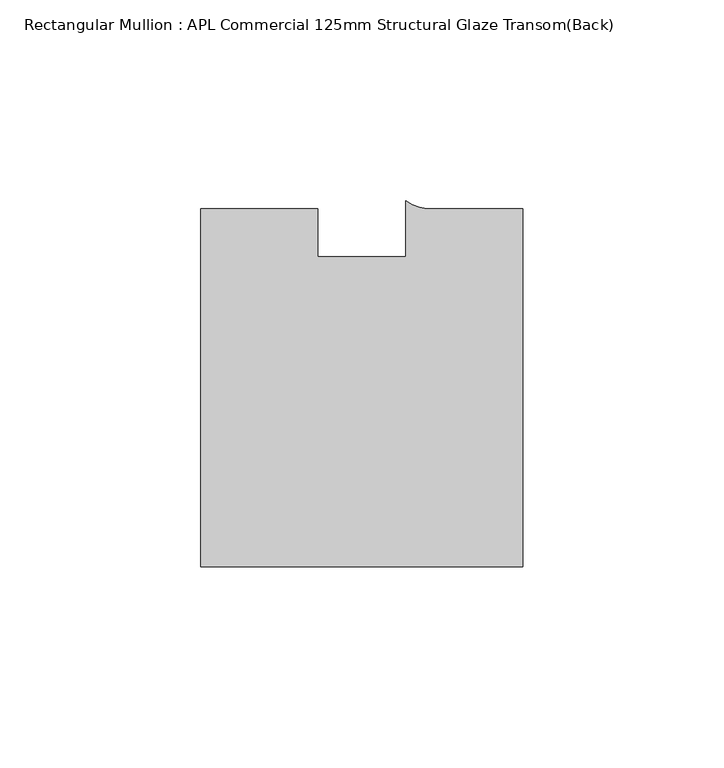
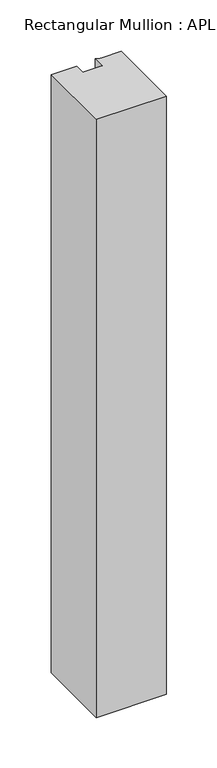
"""IFC4 building model written with IfcOpenShell, lengths in millimetres: member geometry, Rectangular Mullion : APL Commercial 125mm Structural Glaze Transom(Back)."""

from ifc_helpers import new_model, si_unit, point, frame, frame_2d, origin, place, context, project, spatial, polyline, circle_curve, trimmed, segment, composite_curve, outline, extrude, source, transform, mapped, element, save


def rectangular_mullion_apl_commercial_125mm_structural_glaze_33299e5c(model_context):
    return source(origin(), model_context, "Body", "SweptSolid", [
        extrude(outline(composite_curve([segment(polyline([(40.0, -104.0), (-40.0, -104.0), (-40.0, -15.0000829), (-11.0000151, -15.0000829), (-11.0000151, -27.0), (11.0000151, -27.0), (11.0000151, -13.0673455)]), True, "CONTINUOUS"), segment(trimmed(circle_curve(frame_2d((17.1097719, -4.581653)), 10.4563907), [point((11.0000151, -13.0673455))], [point((17.9999542, -15.0000829))], True, "CARTESIAN"), True, "CONTINUOUS"), segment(polyline([(17.9999542, -15.0000829), (40.0, -15.0000829), (40.0, -104.0)]), True, "CONTINUOUS")], self_intersect=False)), frame((0.0, 0.0, -724.000019), z_axis=(0.0, 0.0, 1.0), x_axis=(1.0, 0.0, 0.0)), (0.0, 0.0, 1.0), 724.000019),
    ])


if __name__ == "__main__":
    model = new_model("IFC4")
    model_context = context("Model", 3, world=origin())
    ifc_project = project(units=[si_unit("LENGTHUNIT", "METRE", prefix="MILLI")], contexts=[model_context])
    site = spatial("IfcSite", under=ifc_project)
    building = spatial("IfcBuilding", under=site)
    placement = place(None, origin())
    rectangular_mullion_apl_commercial_125mm_structural_glaze_shape = rectangular_mullion_apl_commercial_125mm_structural_glaze_33299e5c(model_context)
    element("IfcMember", 1, ObjectType="Rectangular Mullion : APL Commercial 125mm Structural Glaze Transom(Back)", at=placement, inside=building, context=model_context, shape_type="MappedRepresentation", body=[
        mapped(rectangular_mullion_apl_commercial_125mm_structural_glaze_shape, transform((0.0, 0.0, 0.0), x_axis=(1.0, 0.0, 0.0), y_axis=(0.0, 1.0, 0.0), z_axis=(0.0, 0.0, 1.0))),
    ])
    save(model, "model.ifc")
